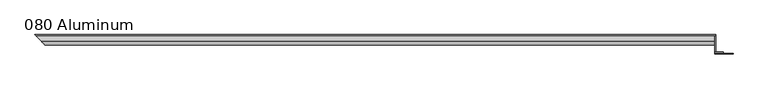
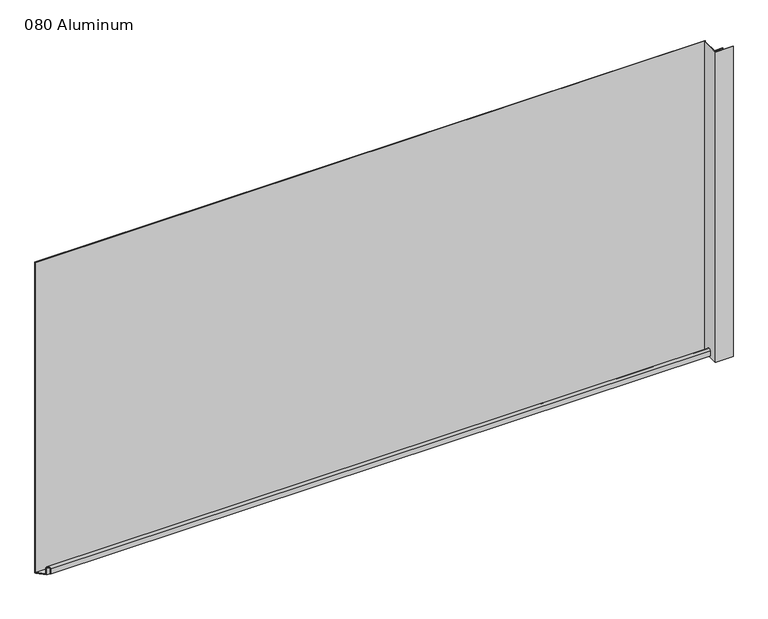
"""IFC4 building model written with IfcOpenShell, lengths in millimetres: plate geometry, 080 Aluminum."""

from ifc_helpers import new_model, si_unit, frame, origin, origin_with_axes, place, context, project, spatial, polyline, circle_curve, ellipse_curve, outline, extrude, source, transform, mapped, element, save
from ifc_brep_helpers import plane_surface, cylinder_surface, revolved_surface, advanced_brep


def plate_080_aluminum_52b87f5c(model_context):
    return source(origin(), model_context, "Body", "SolidModel", [
        advanced_brep(
        [(608.6348, 16.6765477, 13.1458337), (608.6348, 16.6765477, 2.786437), (608.6348, 17.9464915, 2.786437), (608.6348, 17.9464915, 13.1323356), (608.6348, 21.7564743, 13.124237), (608.6348, 21.7564743, 0.0), (608.6348, 34.7980002, 0.0), (608.6348, 34.7980002, 1.2693678), (608.6348, 23.0264743, 1.2693678), (608.6348, 23.0264743, 13.124237), (-639.2813477, 16.6765477, 13.1458337), (-639.2813477, 16.6765477, 2.786437), (-640.5512915, 17.9464915, 2.786437), (-640.5512915, 17.9464915, 13.1323356), (-644.3612743, 21.7564743, 13.124237), (-644.3612743, 21.7564743, 0.0), (-657.4028, 34.798, 0.0), (-657.4028002, 34.7980002, 1.2693678), (-645.6312743, 23.0264743, 1.2693678), (-645.6312743, 23.0264743, 13.124237)],
        [
            (0, 1),
            (1, 2),
            (2, 3),
            (3, 4, circle_curve(frame((608.6348, 19.8514743, 13.124237), z_axis=(-1.0, 0.0, 0.0), x_axis=(0.0, 0.0, -1.0)), 1.905)),
            (4, 5),
            (5, 6),
            (6, 7),
            (7, 8),
            (8, 9),
            (9, 0, circle_curve(frame((608.6348, 19.8514743, 13.124237), z_axis=(1.0, 0.0, 0.0), x_axis=(0.0, 0.0, -1.0)), 3.175)),
            (0, 10),
            (10, 11),
            (11, 1),
            (11, 12),
            (12, 2),
            (12, 13),
            (13, 3),
            (13, 14, ellipse_curve(frame((-642.4562743, 19.8514743, 13.124237), z_axis=(-0.7071067811865468, -0.7071067811865483, 0.0), x_axis=(0.7071067811865482, -0.7071067811865468, 0.0)), 2.6940768, 1.905)),
            (14, 4),
            (14, 15),
            (15, 5),
            (15, 16),
            (16, 6),
            (16, 17),
            (17, 7),
            (17, 18),
            (18, 8),
            (18, 19),
            (19, 9),
            (19, 10, ellipse_curve(frame((-642.4562743, 19.8514743, 13.124237), z_axis=(0.7071067811865468, 0.7071067811865483, 0.0), x_axis=(-0.7071067811865482, 0.7071067811865468, 0.0)), 4.4901281, 3.175)),
        ],
        [
            plane_surface(frame((608.6348, 36.068, 0.0), z_axis=(1.0, 0.0, 0.0), x_axis=(0.0, 0.0, 1.0))),
            plane_surface(frame((-657.4028, 16.6765477, 13.1458337), z_axis=(0.0, -1.0, 0.0), x_axis=(1.0, 0.0, 0.0))),
            plane_surface(frame((-657.4028, 16.6765477, 2.786437), z_axis=(0.0, 0.0, -1.0), x_axis=(1.0, 0.0, 0.0))),
            plane_surface(frame((-657.4028, 17.9464915, 2.786437), z_axis=(0.0, 1.0, 0.0), x_axis=(1.0, 0.0, 0.0))),
            revolved_surface(polyline([(608.6348000000002, 19.8514743, 11.219237000000001), (-644.3612743, 19.8514743, 11.219237000000001)]), (-657.4028, 19.8514743, 13.124237), (1.0, 0.0, 0.0)),
            plane_surface(frame((-657.4028, 21.7564743, 13.124237), z_axis=(0.0, -1.0, 0.0), x_axis=(1.0, 0.0, 0.0))),
            plane_surface(frame((-657.4028, 21.7564743, 0.0), z_axis=(0.0, 0.0, -1.0), x_axis=(1.0, 0.0, 0.0))),
            plane_surface(frame((-657.4028, 34.7980002, 0.0), z_axis=(0.0, 1.0, 0.0), x_axis=(1.0, 0.0, 0.0))),
            plane_surface(frame((-657.4028, 34.7980002, 1.2693678), z_axis=(0.0, 0.0, 1.0), x_axis=(1.0, 0.0, 0.0))),
            plane_surface(frame((-657.4028, 23.0264743, 1.2693678), z_axis=(0.0, 1.0, 0.0), x_axis=(1.0, 0.0, 0.0))),
            cylinder_surface(frame((-657.4028, 19.8514743, 13.124237), z_axis=(-1.0, 0.0, 0.0), x_axis=(0.0, 0.0, -1.0)), 3.175),
            plane_surface(frame((-658.6728, 36.068, 795.4549971), z_axis=(-0.7071067811865468, -0.7071067811865483, 0.0), x_axis=(0.0, 0.0, -1.0))),
        ],
        [
            (0, [[1, 2, 3, 4, 5, 6, 7, 8, 9, 10]]),
            (1, [[11, 12, 13, -1]]),
            (2, [[-13, 14, 15, -2]]),
            (3, [[-15, 16, 17, -3]]),
            (4, [[-17, 18, 19, -4]]),
            (5, [[-19, 20, 21, -5]]),
            (6, [[-21, 22, 23, -6]]),
            (7, [[-23, 24, 25, -7]]),
            (8, [[-25, 26, 27, -8]]),
            (9, [[-27, 28, 29, -9]]),
            (10, [[-29, 30, -11, -10]]),
            (11, [[-30, -28, -26, -24, -22, -20, -18, -16, -14, -12]]),
        ],
    ),
        extrude(outline(polyline([(609.9048, 34.7980001), (-657.4028001, 34.7980001), (-658.6728, 36.068), (609.9048, 36.068), (609.9048, 34.7980001)])), origin_with_axes(), (0.0, 0.0, 1.0), 622.3),
        extrude(outline(polyline([(609.9048, 1.2699999), (642.4168856, 1.2699999), (642.4168856, 0.0), (608.6348001, 0.0), (608.6348001, 34.7980002), (609.9048, 34.7980002), (609.9048, 1.2699999)])), origin_with_axes(), (0.0, 0.0, 1.0), 621.03),
        extrude(outline(polyline([(608.6348, 3.3274743), (624.3827999, 3.3274743), (624.3827999, 2.0574743), (608.6348, 2.0574743), (608.6348, 3.3274743)])), origin_with_axes(), (0.0, 0.0, 1.0), 622.3),
    ])


if __name__ == "__main__":
    model = new_model("IFC4")
    model_context = context("Model", 3, world=origin())
    ifc_project = project(units=[si_unit("LENGTHUNIT", "METRE", prefix="MILLI")], contexts=[model_context])
    site = spatial("IfcSite", under=ifc_project)
    building = spatial("IfcBuilding", under=site)
    placement = place(None, origin())
    plate_080_aluminum_shape = plate_080_aluminum_52b87f5c(model_context)
    element("IfcPlate", 1, ObjectType="080 Aluminum", at=placement, inside=building, context=model_context, shape_type="MappedRepresentation", body=[
        mapped(plate_080_aluminum_shape, transform((0.0, 0.0, 0.0), x_axis=(1.0, 0.0, 0.0), y_axis=(0.0, 1.0, 0.0), z_axis=(0.0, 0.0, 1.0))),
    ])
    save(model, "model.ifc")
